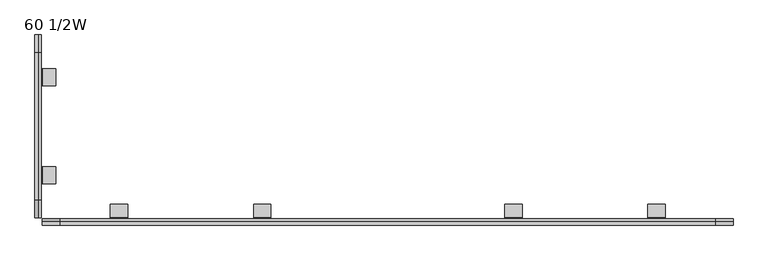
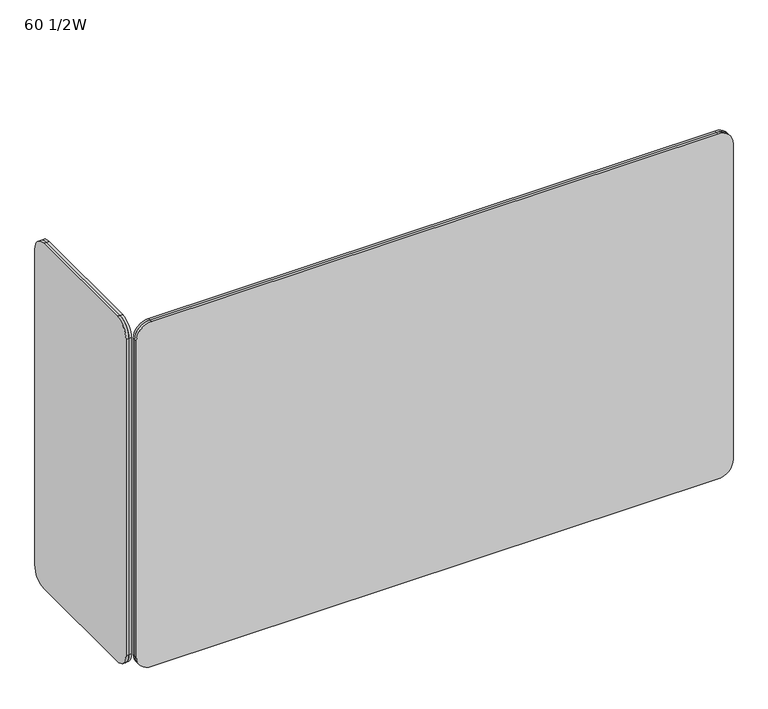
"""IFC4 building model written with IfcOpenShell, lengths in millimetres: furniture geometry, 60 1/2W."""

import ifcopenshell
import ifcopenshell.guid

model = None  # the IFC model being written
_history = None  # IfcOwnerHistory: only IFC2X3 demands one
_inside = {}  # id of a spatial element -> (the spatial element, [elements in it])
_under = {}  # id of a project, library or spatial element -> (it, [spatial elements below it])
_declared = {}  # id of a project -> (the project, [libraries it declares])
_typed = {}  # id of a type object -> (the type object, [elements of that type])
_made_of = {}  # id of a material, layer set ... -> (it, [elements and type objects made of it])


def new_model(schema):
    """Start an empty IFC model of exactly this schema.

    Asked for "IFC4X3", IfcOpenShell would pick the latest addendum, in which some entities
    have other attributes; the version numbers below select the first issue.
    IFC2X3 requires an IfcOwnerHistory on every rooted entity: one is made here for all.
    """
    global model, _history
    if schema == "IFC4X3":
        model = ifcopenshell.file(schema_version=(4, 3, 0, 0))
    else:
        model = ifcopenshell.file(schema=schema)
    _inside.clear()
    _under.clear()
    _declared.clear()
    _typed.clear()
    _made_of.clear()
    _history = None
    if model.schema == "IFC2X3":
        org = make("IfcOrganization", Name="unknown")
        user = make(
            "IfcPersonAndOrganization",
            ThePerson=make("IfcPerson", FamilyName="unknown"),
            TheOrganization=org,
        )
        app = make(
            "IfcApplication",
            ApplicationDeveloper=org,
            Version="unknown",
            ApplicationFullName="unknown",
            ApplicationIdentifier="unknown",
        )
        _history = make(
            "IfcOwnerHistory",
            OwningUser=user,
            OwningApplication=app,
            ChangeAction="ADDED",
            CreationDate=0,
        )
    return model


def make(cls, **values):
    """One entity of the class cls with the attributes given. An attribute that is None is left unset."""
    return model.create_entity(
        cls, **{name: value for name, value in values.items() if value is not None}
    )


def rooted(cls, **values):
    """An entity with a GlobalId (a new one), such as an element, a storey or a relation."""
    return make(cls, GlobalId=ifcopenshell.guid.new(), OwnerHistory=_history, **values)


def si_unit(unit_type, name, prefix=None):
    """IfcSIUnit, for example si_unit("LENGTHUNIT", "METRE", prefix="MILLI")."""
    return make("IfcSIUnit", UnitType=unit_type, Prefix=prefix, Name=name)


def assignment(units):
    """IfcUnitAssignment: the units of a project."""
    return None if units is None else make("IfcUnitAssignment", Units=units)


def point(xyz):
    """IfcCartesianPoint."""
    return None if xyz is None else make("IfcCartesianPoint", Coordinates=xyz)


def direction(xyz):
    """IfcDirection."""
    return None if xyz is None else make("IfcDirection", DirectionRatios=xyz)


def frame(location, z_axis=None, x_axis=None):
    """IfcAxis2Placement3D, a coordinate frame: its origin and axes. An axis left out is left unset."""
    return make(
        "IfcAxis2Placement3D",
        Location=point(location),
        Axis=direction(z_axis),
        RefDirection=direction(x_axis),
    )


def frame_2d(location, x_axis=None):
    """IfcAxis2Placement2D, a coordinate frame in the plane: its origin and x axis."""
    return make(
        "IfcAxis2Placement2D", Location=point(location), RefDirection=direction(x_axis)
    )


def origin():
    """The frame at (0, 0, 0) with its axes left unset."""
    return frame((0.0, 0.0, 0.0))


def place(relative_to, where):
    """IfcLocalPlacement: puts the frame where relative to a parent placement (None: the world)."""
    return make(
        "IfcLocalPlacement", PlacementRelTo=relative_to, RelativePlacement=where
    )


def context(
    kind, dimensions, precision=None, world=None, true_north=None, identifier=None
):
    """IfcGeometricRepresentationContext, for example the 3D "Model" context."""
    return make(
        "IfcGeometricRepresentationContext",
        ContextIdentifier=identifier,
        ContextType=kind,
        CoordinateSpaceDimension=dimensions,
        Precision=precision,
        WorldCoordinateSystem=world,
        TrueNorth=true_north,
    )


def project(units=None, contexts=None):
    """IfcProject with its units and contexts."""
    return rooted(
        "IfcProject",
        Name="project",
        RepresentationContexts=contexts,
        UnitsInContext=assignment(units),
    )


def spatial(cls, under=None, at=None, **own):
    """A site, building, storey or space (cls), placed at a placement, below another one or the project."""
    s = rooted(cls, ObjectPlacement=at, **own)
    if under is not None:
        _under.setdefault(under.id(), (under, []))[1].append(s)
    return s


def polyline(points):
    """IfcPolyline through the points."""
    return make("IfcPolyline", Points=[point(p) for p in points])


def circle_curve(where, radius):
    """IfcCircle in the frame where."""
    return make("IfcCircle", Position=where, Radius=radius)


def trimmed(basis, trim1, trim2, sense, master):
    """IfcTrimmedCurve: the piece of a basis curve between two trims."""
    return make(
        "IfcTrimmedCurve",
        BasisCurve=basis,
        Trim1=trim1,
        Trim2=trim2,
        SenseAgreement=sense,
        MasterRepresentation=master,
    )


def segment(curve, same_sense, transition):
    """IfcCompositeCurveSegment."""
    return make(
        "IfcCompositeCurveSegment",
        Transition=transition,
        SameSense=same_sense,
        ParentCurve=curve,
    )


def composite_curve(segments, self_intersect=None):
    """IfcCompositeCurve: segments joined end to end."""
    return make("IfcCompositeCurve", Segments=segments, SelfIntersect=self_intersect)


def outline(outer, holes=None, kind="AREA"):
    """IfcArbitraryClosedProfileDef: a profile drawn as a closed curve; with holes, ...WithVoids."""
    if holes is None:
        return make("IfcArbitraryClosedProfileDef", ProfileType=kind, OuterCurve=outer)
    return make(
        "IfcArbitraryProfileDefWithVoids",
        ProfileType=kind,
        OuterCurve=outer,
        InnerCurves=holes,
    )


def extrude(swept, where, along, depth):
    """IfcExtrudedAreaSolid: the profile swept, set in the frame where, extruded along a direction by depth."""
    return make(
        "IfcExtrudedAreaSolid",
        SweptArea=swept,
        Position=where,
        ExtrudedDirection=direction(along),
        Depth=depth,
    )


def shape(context_of_items, identifier, shape_type, items):
    """IfcShapeRepresentation: the items that make up one representation, for example the "Body"."""
    return make(
        "IfcShapeRepresentation",
        ContextOfItems=context_of_items,
        RepresentationIdentifier=identifier,
        RepresentationType=shape_type,
        Items=items,
    )


def source(mapping_origin, context_of_items, identifier, shape_type, items):
    """IfcRepresentationMap: a shape defined once, which mapped items show again and again."""
    return make(
        "IfcRepresentationMap",
        MappingOrigin=mapping_origin,
        MappedRepresentation=shape(context_of_items, identifier, shape_type, items),
    )


def transform(
    local_origin,
    x_axis=None,
    y_axis=None,
    z_axis=None,
    scale=None,
    scale2=None,
    scale3=None,
    uniform=True,
):
    """IfcCartesianTransformationOperator3D, or its non-uniform kind. x_axis, y_axis, z_axis: its Axis1, 2, 3."""
    if uniform:
        return make(
            "IfcCartesianTransformationOperator3D",
            Axis1=direction(x_axis),
            Axis2=direction(y_axis),
            LocalOrigin=point(local_origin),
            Scale=scale,
            Axis3=direction(z_axis),
        )
    return make(
        "IfcCartesianTransformationOperator3DnonUniform",
        Axis1=direction(x_axis),
        Axis2=direction(y_axis),
        LocalOrigin=point(local_origin),
        Scale=scale,
        Axis3=direction(z_axis),
        Scale2=scale2,
        Scale3=scale3,
    )


def mapped(mapping_source, mapping_target):
    """IfcMappedItem: shows the shape of a source again, moved by a transform."""
    return make(
        "IfcMappedItem", MappingSource=mapping_source, MappingTarget=mapping_target
    )


def made_of(thing, what):
    """Note that an element or type object is made of a material, layer set ...; save() writes the relation."""
    if what is not None:
        _made_of.setdefault(what.id(), (what, []))[1].append(thing)
    return thing


def element(
    cls,
    number,
    at=None,
    inside=None,
    cuts=None,
    type_object=None,
    material=None,
    context=None,
    identifier="Body",
    shape_type=None,
    held_by="IfcProductDefinitionShape",
    body=None,
    shapes=None,
    **own,
):
    """One element of the class cls, such as IfcWall. Its Tag is "e" and its number.

    at: its placement. inside: the storey or other place that contains it. cuts: it is an
    opening in that element (IfcRelVoidsElement). A single representation is given by context,
    identifier, shape_type and body (its items); several are given by shapes. held_by: the class
    of the entity that holds the representations. save() writes the other relations.
    """
    e = rooted(cls, Tag="e%d" % number, ObjectPlacement=at, **own)
    if body is not None:
        shapes = [shape(context, identifier, shape_type, body)]
    if shapes is not None:
        e.Representation = make(held_by, Representations=shapes)
    if inside is not None:
        _inside.setdefault(inside.id(), (inside, []))[1].append(e)
    if cuts is not None:
        rooted(
            "IfcRelVoidsElement", RelatingBuildingElement=cuts, RelatedOpeningElement=e
        )
    if type_object is not None:
        _typed.setdefault(type_object.id(), (type_object, []))[1].append(e)
    return made_of(e, material)


def aggregate(whole, parts):
    """IfcRelAggregates: a whole, such as a stair, and the parts it consists of."""
    return rooted("IfcRelAggregates", RelatingObject=whole, RelatedObjects=parts)


def save(model, path):
    """Write the relations noted so far, then the file.

    IfcRelAggregates (storeys below a building ...), IfcRelContainedInSpatialStructure (elements
    in a storey), IfcRelDefinesByType, IfcRelAssociatesMaterial and IfcRelDeclares: one each for
    every whole, place, type object, material and project.
    """
    for whole, parts in _under.values():
        aggregate(whole, parts)
    for where, things in _inside.values():
        rooted(
            "IfcRelContainedInSpatialStructure",
            RelatedElements=things,
            RelatingStructure=where,
        )
    for kind, things in _typed.values():
        rooted("IfcRelDefinesByType", RelatedObjects=things, RelatingType=kind)
    for what, things in _made_of.values():
        rooted("IfcRelAssociatesMaterial", RelatedObjects=things, RelatingMaterial=what)
    for by, libraries in _declared.values():
        rooted("IfcRelDeclares", RelatingContext=by, RelatedDefinitions=libraries)
    model.write(path)


def furniture_60_1_2w_09b0cb60(model_context):
    return source(origin(), model_context, "Body", "SweptSolid", [
        extrude(outline(polyline([(700.9734272, -0.0896099), (787.0495535, -0.0896099), (787.0495535, -3.048), (697.3921394, -3.048), (697.3921394, 29.4707112), (700.9734272, 29.4707112), (700.9734272, -0.0896099)])), frame((0.0, 393.7073882, 0.0), z_axis=(0.0, 1.0, 0.0), x_axis=(0.0, 0.0, 1.0)), (0.0, 0.0, 1.0), 38.2069702),
        extrude(outline(polyline([(700.9734272, -0.0896099), (787.0495535, -0.0896099), (787.0495535, -3.048), (697.3921394, -3.048), (697.3921394, 29.4707112), (700.9734272, 29.4707112), (700.9734272, -0.0896099)])), frame((0.0, 175.7768435, 0.0), z_axis=(0.0, 1.0, 0.0), x_axis=(0.0, 0.0, 1.0)), (0.0, 0.0, 1.0), 38.2069702),
        extrude(outline(composite_curve([segment(trimmed(circle_curve(frame_2d((467.6756009, 1446.1878182)), 39.37), [point((467.6756009, 1485.5578182))], [point((507.0456009, 1446.1878182))], False, "CARTESIAN"), True, "CONTINUOUS"), segment(polyline([(507.0456009, 1446.1878182), (507.0456009, 585.1278182)]), True, "CONTINUOUS"), segment(trimmed(circle_curve(frame_2d((467.6756009, 585.1278182)), 39.37), [point((507.0456009, 585.1278182))], [point((467.6756009, 545.7578182))], False, "CARTESIAN"), True, "CONTINUOUS"), segment(polyline([(467.6756009, 545.7578182), (140.0156009, 545.7578182)]), True, "CONTINUOUS"), segment(trimmed(circle_curve(frame_2d((140.0156009, 585.1278182)), 39.37), [point((140.0156009, 545.7578182))], [point((100.6456009, 585.1278182))], False, "CARTESIAN"), True, "CONTINUOUS"), segment(polyline([(100.6456009, 585.1278182), (100.6456009, 1446.1180715)]), True, "CONTINUOUS"), segment(trimmed(circle_curve(frame_2d((140.0853476, 1446.1180715)), 39.4397467), [point((100.6456009, 1446.1180715))], [point((140.0853476, 1485.5578182))], False, "CARTESIAN"), True, "CONTINUOUS"), segment(polyline([(140.0853476, 1485.5578182), (467.6756009, 1485.5578182)]), True, "CONTINUOUS")], self_intersect=False)), frame((-16.764, 0.0, 0.0), z_axis=(1.0, 0.0, 0.0), x_axis=(0.0, 1.0, 0.0)), (0.0, 0.0, 1.0), 6.9072652),
        extrude(outline(composite_curve([segment(trimmed(circle_curve(frame_2d((467.6756009, 1446.1878182)), 39.37), [point((467.6756009, 1485.5578182))], [point((507.0456009, 1446.1878182))], False, "CARTESIAN"), True, "CONTINUOUS"), segment(polyline([(507.0456009, 1446.1878182), (507.0456009, 585.1278182)]), True, "CONTINUOUS"), segment(trimmed(circle_curve(frame_2d((467.6756009, 585.1278182)), 39.37), [point((507.0456009, 585.1278182))], [point((467.6756009, 545.7578182))], False, "CARTESIAN"), True, "CONTINUOUS"), segment(polyline([(467.6756009, 545.7578182), (140.0156009, 545.7578182)]), True, "CONTINUOUS"), segment(trimmed(circle_curve(frame_2d((140.0156009, 585.1278182)), 39.37), [point((140.0156009, 545.7578182))], [point((100.6456009, 585.1278182))], False, "CARTESIAN"), True, "CONTINUOUS"), segment(polyline([(100.6456009, 585.1278182), (100.6456009, 1446.1180715)]), True, "CONTINUOUS"), segment(trimmed(circle_curve(frame_2d((140.0853476, 1446.1180715)), 39.4397467), [point((100.6456009, 1446.1180715))], [point((140.0853476, 1485.5578182))], False, "CARTESIAN"), True, "CONTINUOUS"), segment(polyline([(140.0853476, 1485.5578182), (467.6756009, 1485.5578182)]), True, "CONTINUOUS")], self_intersect=False)), frame((-9.8567348, 0.0, 0.0), z_axis=(1.0, 0.0, 0.0), x_axis=(0.0, 1.0, 0.0)), (0.0, 0.0, 1.0), 6.8087348),
        extrude(outline(polyline([(100.6456009, 700.9734272), (130.205922, 700.9734272), (130.205922, 697.3921394), (97.6872108, 697.3921394), (97.6872108, 787.0495535), (100.6456009, 787.0495535), (100.6456009, 700.9734272)])), frame((469.6538388, 0.0, 0.0), z_axis=(1.0, 0.0, 0.0), x_axis=(0.0, 1.0, 0.0)), (0.0, 0.0, 1.0), 38.2069702),
        extrude(outline(polyline([(100.6456009, 700.9734272), (130.205922, 700.9734272), (130.205922, 697.3921394), (97.6872108, 697.3921394), (97.6872108, 787.0495535), (100.6456009, 787.0495535), (100.6456009, 700.9734272)])), frame((1028.839191, 0.0, 0.0), z_axis=(1.0, 0.0, 0.0), x_axis=(0.0, 1.0, 0.0)), (0.0, 0.0, 1.0), 38.2069702),
        extrude(outline(polyline([(100.6456009, 700.9734272), (130.205922, 700.9734272), (130.205922, 697.3921394), (97.6872108, 697.3921394), (97.6872108, 787.0495535), (100.6456009, 787.0495535), (100.6456009, 700.9734272)])), frame((1347.1617872, 0.0, 0.0), z_axis=(1.0, 0.0, 0.0), x_axis=(0.0, 1.0, 0.0)), (0.0, 0.0, 1.0), 38.2069702),
        extrude(outline(polyline([(100.6456009, 700.9734272), (130.205922, 700.9734272), (130.205922, 697.3921394), (97.6872108, 697.3921394), (97.6872108, 787.0495535), (100.6456009, 787.0495535), (100.6456009, 700.9734272)])), frame((151.3312426, 0.0, 0.0), z_axis=(1.0, 0.0, 0.0), x_axis=(0.0, 1.0, 0.0)), (0.0, 0.0, 1.0), 38.2069702),
        extrude(outline(composite_curve([segment(polyline([(1485.5578182, 1497.33), (1485.5578182, 39.4397467)]), True, "CONTINUOUS"), segment(trimmed(circle_curve(frame_2d((1446.1180715, 39.4397467)), 39.4397467), [point((1485.5578182, 39.4397467))], [point((1446.1180715, 0.0))], False, "CARTESIAN"), True, "CONTINUOUS"), segment(polyline([(1446.1180715, 0.0), (585.1278182, 0.0)]), True, "CONTINUOUS"), segment(trimmed(circle_curve(frame_2d((585.1278182, 39.37)), 39.37), [point((585.1278182, 0.0))], [point((545.7578182, 39.37))], False, "CARTESIAN"), True, "CONTINUOUS"), segment(polyline([(545.7578182, 39.37), (545.7578182, 1497.33)]), True, "CONTINUOUS"), segment(trimmed(circle_curve(frame_2d((585.1278182, 1497.33)), 39.37), [point((545.7578182, 1497.33))], [point((585.1278182, 1536.7))], False, "CARTESIAN"), True, "CONTINUOUS"), segment(polyline([(585.1278182, 1536.7), (1446.1878182, 1536.7)]), True, "CONTINUOUS"), segment(trimmed(circle_curve(frame_2d((1446.1878182, 1497.33)), 39.37), [point((1446.1878182, 1536.7))], [point((1485.5578182, 1497.33))], False, "CARTESIAN"), True, "CONTINUOUS")], self_intersect=False)), frame((0.0, 84.0697412, 0.0), z_axis=(0.0, 1.0, 0.0), x_axis=(0.0, 0.0, 1.0)), (0.0, 0.0, 1.0), 6.8087348),
        extrude(outline(composite_curve([segment(polyline([(1485.5578182, 1497.33), (1485.5578182, 39.4397467)]), True, "CONTINUOUS"), segment(trimmed(circle_curve(frame_2d((1446.1180715, 39.4397467)), 39.4397467), [point((1485.5578182, 39.4397467))], [point((1446.1180715, 0.0))], False, "CARTESIAN"), True, "CONTINUOUS"), segment(polyline([(1446.1180715, 0.0), (585.1278182, 0.0)]), True, "CONTINUOUS"), segment(trimmed(circle_curve(frame_2d((585.1278182, 39.37)), 39.37), [point((585.1278182, 0.0))], [point((545.7578182, 39.37))], False, "CARTESIAN"), True, "CONTINUOUS"), segment(polyline([(545.7578182, 39.37), (545.7578182, 1497.33)]), True, "CONTINUOUS"), segment(trimmed(circle_curve(frame_2d((585.1278182, 1497.33)), 39.37), [point((545.7578182, 1497.33))], [point((585.1278182, 1536.7))], False, "CARTESIAN"), True, "CONTINUOUS"), segment(polyline([(585.1278182, 1536.7), (1446.1878182, 1536.7)]), True, "CONTINUOUS"), segment(trimmed(circle_curve(frame_2d((1446.1878182, 1497.33)), 39.37), [point((1446.1878182, 1536.7))], [point((1485.5578182, 1497.33))], False, "CARTESIAN"), True, "CONTINUOUS")], self_intersect=False)), frame((0.0, 90.878476, 0.0), z_axis=(0.0, 1.0, 0.0), x_axis=(0.0, 0.0, 1.0)), (0.0, 0.0, 1.0), 6.8087348),
    ])


if __name__ == "__main__":
    model = new_model("IFC4")
    model_context = context("Model", 3, world=origin())
    ifc_project = project(units=[si_unit("LENGTHUNIT", "METRE", prefix="MILLI")], contexts=[model_context])
    site = spatial("IfcSite", under=ifc_project)
    building = spatial("IfcBuilding", under=site)
    placement = place(None, origin())
    furniture_60_1_2w_shape = furniture_60_1_2w_09b0cb60(model_context)
    element("IfcFurniture", 1, ObjectType="60 1/2W", at=placement, inside=building, context=model_context, shape_type="MappedRepresentation", body=[
        mapped(furniture_60_1_2w_shape, transform((0.0, 0.0, 0.0), x_axis=(1.0, 0.0, 0.0), y_axis=(0.0, 1.0, 0.0), z_axis=(0.0, 0.0, 1.0))),
    ])
    save(model, "model.ifc")
